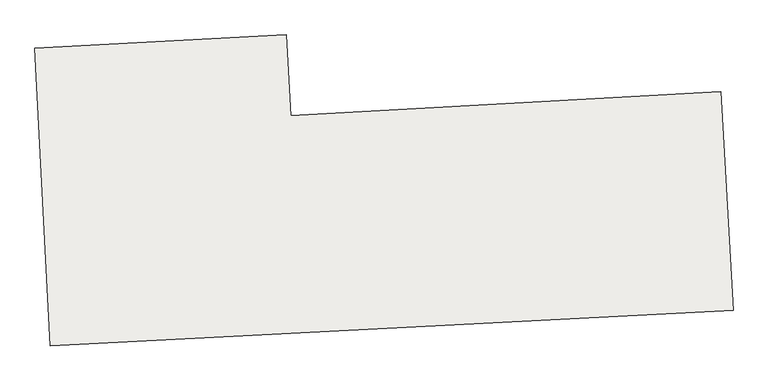
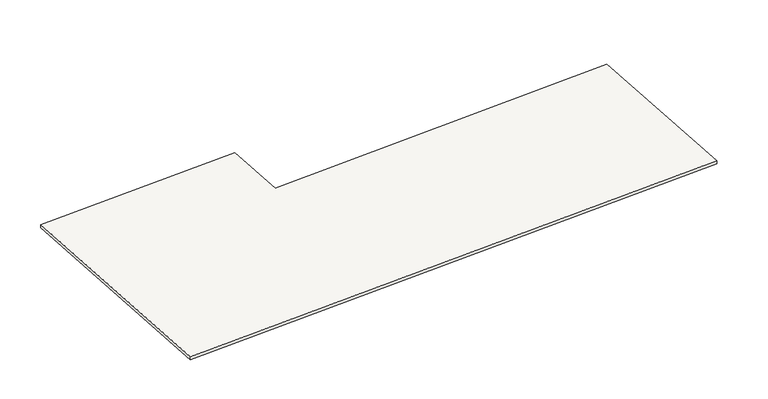
"""IFC4 building model written with IfcOpenShell, lengths in millimetres: slab geometry."""

from ifc_helpers import new_model, si_unit, frame, origin, place, context, project, spatial, polyline, outline, extrude, source, transform, mapped, element, save


def slab_1accebd5(model_context):
    return source(origin(), model_context, "Body", "SweptSolid", [
        extrude(outline(polyline([(-111216.0206238, 121824.0098742), (-111195.2837034, 121426.1095852), (-109077.5257628, 121543.7823886), (-109017.6763737, 120466.6726796), (-112376.570321, 120291.4436851), (-112453.0814075, 121759.5393732), (-111216.0206238, 121824.0098742)])), frame((0.0, 0.0, -6942.0), z_axis=(0.0, 0.0, 1.0), x_axis=(1.0, 0.0, 0.0)), (0.0, 0.0, 1.0), 20.0),
    ])


if __name__ == "__main__":
    model = new_model("IFC4")
    model_context = context("Model", 3, world=origin())
    ifc_project = project(units=[si_unit("LENGTHUNIT", "METRE", prefix="MILLI")], contexts=[model_context])
    site = spatial("IfcSite", under=ifc_project)
    building = spatial("IfcBuilding", under=site)
    placement = place(None, origin())
    slab_shape = slab_1accebd5(model_context)
    element("IfcSlab", 1, at=placement, inside=building, context=model_context, shape_type="MappedRepresentation", body=[
        mapped(slab_shape, transform((0.0, 0.0, 0.0), x_axis=(1.0, 0.0, 0.0), y_axis=(0.0, 1.0, 0.0), z_axis=(0.0, 0.0, 1.0))),
    ])
    save(model, "model.ifc")
